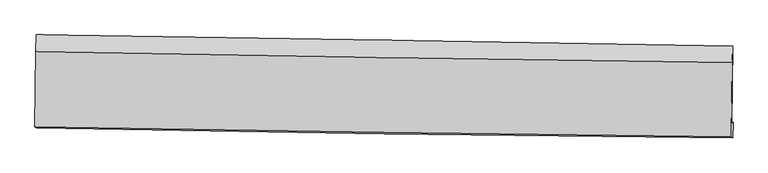
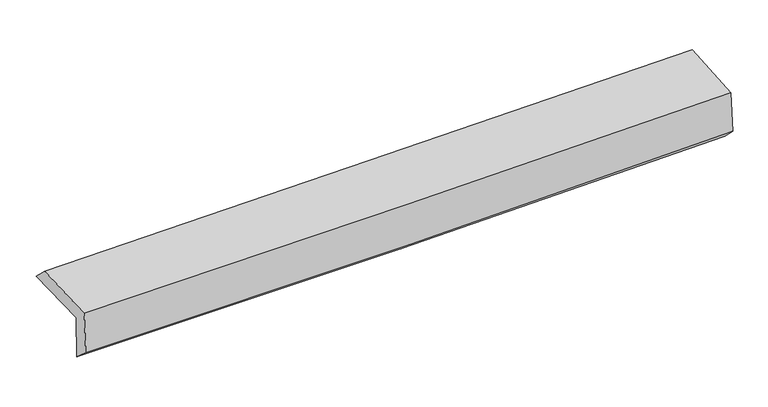
"""IFC4 building model written with IfcOpenShell, lengths in millimetres: proxy geometry."""

from ifc_helpers import new_model, si_unit, frame, origin, place, context, project, spatial, source, transform, mapped, element, save
from ifc_brep_helpers import plane_surface, spline_curve, spline_surface, advanced_brep


def generic_models_1a90a3d1(model_context):
    return source(origin(), model_context, "Body", "AdvancedBrep", [
        advanced_brep(
        [(-3037.2229071, -1758.7675278, 1963.9644191), (-3029.4338599, -1087.6167365, 1969.7074305), (3022.7135427, -1184.8312254, 2122.4770712), (3015.017445, -1859.5326967, 2111.5298836), (-3026.6858407, -1746.2759982, 1563.2978542), (3025.5115569, -1851.6938696, 1710.3976548), (-3031.9953062, -1900.7895255, 1697.5809191), (3020.5310068, -1987.5032612, 1840.5274641), (-3042.0521046, -1891.9937474, 2089.4355361), (3010.7313479, -1978.93238, 2222.3628592), (-3034.8247583, -1235.6463189, 2110.0884656), (3017.5404779, -1330.2333871, 2255.6557429)],
        [
            (0, 1),
            (1, 2, spline_curve(3, [(-3029.4338599, -1087.6167365, 1969.7074305), (-2020.245137811, -1103.373473501, 1975.789529392), (-1011.300019024, -1119.353134334, 1991.561610764), (1006.082438338, -1151.757973001, 2042.485219916), (2014.519787226, -1168.183141767, 2077.636351869), (3022.7135427, -1184.8312254, 2122.4770712)], [4, 2, 4], [0.0, 9.933041888884363, 19.865881185324106])),
            (2, 3),
            (3, 0, spline_curve(3, [(3015.017445, -1859.5326967, 2111.5298836), (2006.777215095, -1841.109279286, 2069.291243692), (998.308883057, -1823.500550285, 2035.874836999), (-1019.104558458, -1789.91212758, 1986.685988772), (-2028.049677246, -1773.932466747, 1970.9139073), (-3037.2229071, -1758.7675278, 1963.9644191)], [4, 2, 4], [0.0, 9.932839296439743, 19.865881185324106])),
            (4, 0),
            (3, 5),
            (5, 4, spline_curve(3, [(3025.5115569, -1851.6938696, 1710.3976548), (2017.292804001, -1830.944108882, 1668.391845801), (1008.838790116, -1811.78447909, 1635.130660484), (-1008.560332571, -1776.645123959, 1586.097037071), (-2017.505451383, -1760.665462852, 1570.324955303), (-3026.6858407, -1746.2759982, 1563.2978542)], [4, 2, 4], [0.0, 9.932842226719862, 19.86588704594411])),
            (6, 4),
            (5, 7),
            (7, 6, spline_curve(3, [(3020.5310068, -1987.5032612, 1840.5274641), (2012.147796837, -1976.105536351, 1800.59827597), (1003.584144487, -1963.180618611, 1768.721509237), (-1013.924619061, -1934.27610242, 1721.072332236), (-2022.86973797, -1918.296441717, 1705.300250712), (-3031.9953062, -1900.7895255, 1697.5809191)], [4, 2, 4], [0.0, 9.932756498941577, 19.86571558863902])),
            (8, 6),
            (7, 9),
            (9, 8, spline_curve(3, [(3010.7313479, -1978.93238, 2222.3628592), (2002.048144163, -1967.272277651, 2194.122678204), (993.313065335, -1954.19742857, 2168.925392768), (-1024.281416582, -1925.217941897, 2124.616160766), (-2033.140822317, -1909.313246714, 2105.504338489), (-3042.0521046, -1891.9937474, 2089.4355361)], [4, 2, 4], [0.0, 9.932553794669888, 19.865310175961238])),
            (10, 8),
            (9, 11),
            (11, 10, spline_curve(3, [(3017.5404779, -1330.2333871, 2255.6557429), (2008.83648799, -1315.187951002, 2229.761321383), (1000.125866955, -1299.783061476, 2204.68361946), (-1017.329211781, -1268.25405359, 2156.161160308), (-2026.073669204, -1252.12992025, 2132.71643648), (-3034.8247583, -1235.6463189, 2110.0884656)], [4, 2, 4], [0.0, 9.932431560174987, 19.86506570447831])),
            (1, 10),
            (11, 2),
        ],
        [
            spline_surface(3, 3, [[(-3037.2229071, -1758.7675278, 1963.9644191), (-2028.049677141, -1773.932466718, 1970.913907325), (-1019.104558406, -1789.912127504, 1986.685988862), (998.308883005, -1823.500550361, 2035.87483691), (2006.777214937, -1841.109279228, 2069.291243545), (3015.017445, -1859.5326967, 2111.5298836)], [(-3034.626558024, -1535.050597374, 1965.878756226), (-2025.448164045, -1550.412802328, 1972.539114702), (-1016.50304531, -1566.392463114, 1988.31119624), (1000.900068166, -1599.586357922, 2038.078297886), (2009.358072374, -1616.800566786, 2072.072946326), (3017.582810901, -1634.632206265, 2115.178946139)], [(-3032.030208976, -1311.333666926, 1967.793093374), (-2022.846650977, -1326.893137917, 1974.164322103), (-1013.901532242, -1342.872798703, 1989.936403541), (1003.491253299, -1375.672165461, 2040.281758785), (2011.938929806, -1392.491854349, 2074.85464909), (3020.148176799, -1409.731715835, 2118.828008661)], [(-3029.4338599, -1087.6167365, 1969.7074305), (-2020.24513788, -1103.373473528, 1975.789529481), (-1011.300019145, -1119.353134314, 1991.561610919), (1006.08243846, -1151.757973021, 2042.485219762), (2014.519787242, -1168.183141907, 2077.63635187), (3022.7135427, -1184.8312254, 2122.4770712)]], [4, 4], [4, 2, 4], [0.0, 2.202167121468859], [0.0, 9.933041888884363, 19.865881185324106]),
            spline_surface(3, 3, [[(-3026.6858407, -1746.2759982, 1563.2978542), (-2017.505451417, -1760.665462977, 1570.324955445), (-1008.560332683, -1776.645123863, 1586.097036982), (1008.838790227, -1811.784479185, 1635.130660572), (2017.292804079, -1830.944108787, 1668.391845892), (3025.5115569, -1851.6938696, 1710.3976548)], [(-3030.198196194, -1750.439841383, 1696.853375832), (-2021.020193353, -1765.08779754, 1703.85460607), (-1012.075074618, -1781.067458426, 1719.626687607), (1005.328821125, -1815.68983626, 1768.712052683), (2013.787607714, -1834.332498917, 1802.024978433), (3022.013519615, -1854.30681195, 1844.108397724)], [(-3033.710551606, -1754.603684617, 1830.408897468), (-2024.534935205, -1769.510132155, 1837.3842567), (-1015.589816471, -1785.489792941, 1853.156338237), (1001.818852107, -1819.595193286, 1902.293444799), (2010.282411303, -1837.720889098, 1935.658111004), (3018.515482285, -1856.91975435, 1977.819140676)], [(-3037.2229071, -1758.7675278, 1963.9644191), (-2028.049677141, -1773.932466718, 1970.913907325), (-1019.104558406, -1789.912127504, 1986.685988862), (998.308883005, -1823.500550361, 2035.87483691), (2006.777214937, -1841.109279228, 2069.291243545), (3015.017445, -1859.5326967, 2111.5298836)]], [4, 4], [4, 2, 4], [0.0, 1.3156158283734314], [0.0, 9.933044819224248, 19.86588704594411]),
            spline_surface(3, 3, [[(-3031.9953062, -1900.7895255, 1697.5809191), (-2022.869737844, -1918.296441584, 1705.300250789), (-1013.924619109, -1934.276102371, 1721.072332326), (1003.584144535, -1963.180618661, 1768.721509147), (2012.147796791, -1976.105536397, 1800.598275931), (3020.5310068, -1987.5032612, 1840.5274641)], [(-3030.225484351, -1849.285016427, 1652.81989746), (-2021.081642352, -1865.752782076, 1660.308485667), (-1012.136523618, -1881.732442862, 1676.080567205), (1005.335693115, -1912.71523883, 1724.191226282), (2013.862799204, -1927.718393855, 1756.52946591), (3022.191190151, -1942.233463995, 1797.150860992)], [(-3028.455662549, -1797.780507273, 1608.05887584), (-2019.293546909, -1813.209122486, 1615.316720567), (-1010.348428174, -1829.188783372, 1631.088802104), (1007.087241647, -1862.249859017, 1679.660943437), (2015.577801665, -1879.331251329, 1712.460655913), (3023.851373549, -1896.963666805, 1753.774257908)], [(-3026.6858407, -1746.2759982, 1563.2978542), (-2017.505451417, -1760.665462977, 1570.324955445), (-1008.560332683, -1776.645123863, 1586.097036982), (1008.838790227, -1811.784479185, 1635.130660572), (2017.292804079, -1830.944108787, 1668.391845892), (3025.5115569, -1851.6938696, 1710.3976548)]], [4, 4], [4, 2, 4], [0.0, 0.6718483815907439], [0.0, 9.932959089697443, 19.86571558863902]),
            spline_surface(3, 3, [[(-3042.0521046, -1891.9937474, 2089.4355361), (-2033.140822211, -1909.313246801, 2105.504338646), (-1024.28141665, -1925.217941993, 2124.616160863), (993.313065402, -1954.197428474, 2168.925392671), (2002.048144005, -1967.272277498, 2194.122678195), (3010.7313479, -1978.93238, 2222.3628592)], [(-3038.699838453, -1894.925673419, 1958.817330429), (-2029.717127408, -1912.307645048, 1972.102976023), (-1020.829150793, -1928.237328774, 1990.101551354), (996.736758456, -1957.191825191, 2035.524098166), (2005.414694951, -1970.216697147, 2062.947877463), (3013.997900884, -1981.789340416, 2095.084394189)], [(-3035.347572347, -1897.857599481, 1828.199124771), (-2026.293432646, -1915.302043338, 1838.701613412), (-1017.376884965, -1931.256715589, 1855.586941836), (1000.160451481, -1960.186221943, 1902.122803652), (2008.781245845, -1973.161116748, 1931.773076663), (3017.264453816, -1984.646300784, 1967.805929111)], [(-3031.9953062, -1900.7895255, 1697.5809191), (-2022.869737844, -1918.296441584, 1705.300250789), (-1013.924619109, -1934.276102371, 1721.072332326), (1003.584144535, -1963.180618661, 1768.721509147), (2012.147796791, -1976.105536397, 1800.598275931), (3020.5310068, -1987.5032612, 1840.5274641)]], [4, 4], [4, 2, 4], [0.0, 1.319250050312814], [0.0, 9.93275638129135, 19.865310175961238]),
            spline_surface(3, 3, [[(-3034.8247583, -1235.6463189, 2110.0884656), (-2026.073669309, -1252.12992035, 2132.716436418), (-1017.329211639, -1268.254053497, 2156.161160347), (1000.125866813, -1299.78306157, 2204.68361942), (2008.836487898, -1315.187951151, 2229.761321277), (3017.5404779, -1330.2333871, 2255.6557429)], [(-3037.233873755, -1454.428795056, 2103.20415576), (-2028.429386965, -1471.191029156, 2123.645737154), (-1019.64661331, -1487.242016329, 2145.646160518), (997.854933008, -1517.921183871, 2192.764210503), (2006.57370659, -1532.549393245, 2217.881773565), (3015.27076789, -1546.466384712, 2244.558114982)], [(-3039.642989145, -1673.211271244, 2096.31984594), (-2030.785104555, -1690.252137995, 2114.57503791), (-1021.964014979, -1706.229979161, 2135.131160692), (995.583999207, -1736.059306172, 2180.844801588), (2004.310925313, -1749.910835404, 2206.002225907), (3013.00105791, -1762.699382388, 2233.460487118)], [(-3042.0521046, -1891.9937474, 2089.4355361), (-2033.140822211, -1909.313246801, 2105.504338646), (-1024.28141665, -1925.217941993, 2124.616160863), (993.313065402, -1954.197428474, 2168.925392671), (2002.048144005, -1967.272277498, 2194.122678195), (3010.7313479, -1978.93238, 2222.3628592)]], [4, 4], [4, 2, 4], [0.0, 2.154160758516532], [0.0, 9.932634144303325, 19.86506570447831]),
            spline_surface(3, 3, [[(-3029.4338599, -1087.6167365, 1969.7074305), (-2020.24513788, -1103.373473528, 1975.789529481), (-1011.300019145, -1119.353134314, 1991.561610919), (1006.08243846, -1151.757973021, 2042.485219762), (2014.519787242, -1168.183141907, 2077.63635187), (3022.7135427, -1184.8312254, 2122.4770712)], [(-3031.230826022, -1136.959930641, 2016.501108894), (-2022.187981678, -1152.95895581, 2028.098498487), (-1013.309749983, -1168.986774036, 2046.428127376), (1004.096914571, -1201.099669198, 2096.551352963), (2012.62535412, -1217.184745018, 2128.344675013), (3020.989187759, -1233.298612663, 2166.869961774)], [(-3033.027792178, -1186.303124759, 2063.294787206), (-2024.13082551, -1202.544438068, 2080.407467412), (-1015.319480802, -1218.620413775, 2101.29464389), (1002.111390701, -1250.441365393, 2150.61748622), (2010.73092102, -1266.18634804, 2179.052998135), (3019.264832841, -1281.765999837, 2211.262852326)], [(-3034.8247583, -1235.6463189, 2110.0884656), (-2026.073669309, -1252.12992035, 2132.716436418), (-1017.329211639, -1268.254053497, 2156.161160347), (1000.125866813, -1299.78306157, 2204.68361942), (2008.836487898, -1315.187951151, 2229.761321277), (3017.5404779, -1330.2333871, 2255.6557429)]], [4, 4], [4, 2, 4], [0.0, 0.7245860523267427], [0.0, 9.932738486144268, 19.865274386032063]),
            plane_surface(frame((3018.6742295, -1698.7878033, 2043.8251126), z_axis=(0.999594118578771, -0.011822592360818143, 0.02591957585687061), x_axis=(0.025649711610667297, -0.02243349828652138, -0.9994192465871959))),
            plane_surface(frame((-3033.7024628, -1603.5149757, 1899.0124374), z_axis=(-0.9995941185787685, 0.011822592361162199, -0.025919575856812625), x_axis=(-0.011604303753883497, -0.9998960614820105, -0.008556071946355902))),
        ],
        [
            (0, [[1, 2, 3, 4]]),
            (1, [[5, -4, 6, 7]]),
            (2, [[8, -7, 9, 10]]),
            (3, [[11, -10, 12, 13]]),
            (4, [[14, -13, 15, 16]]),
            (5, [[17, -16, 18, -2]]),
            (6, [[-12, -9, -6, -3, -18, -15]]),
            (7, [[-1, -5, -8, -11, -14, -17]]),
        ],
    ),
    ])


if __name__ == "__main__":
    model = new_model("IFC4")
    model_context = context("Model", 3, world=origin())
    ifc_project = project(units=[si_unit("LENGTHUNIT", "METRE", prefix="MILLI")], contexts=[model_context])
    site = spatial("IfcSite", under=ifc_project)
    building = spatial("IfcBuilding", under=site)
    placement = place(None, origin())
    generic_models_shape = generic_models_1a90a3d1(model_context)
    element("IfcBuildingElementProxy", 1, Name="Generic Models", at=placement, inside=building, context=model_context, shape_type="MappedRepresentation", body=[
        mapped(generic_models_shape, transform((0.0, 0.0, 0.0), x_axis=(1.0, 0.0, 0.0), y_axis=(0.0, 1.0, 0.0), z_axis=(0.0, 0.0, 1.0))),
    ])
    save(model, "model.ifc")
